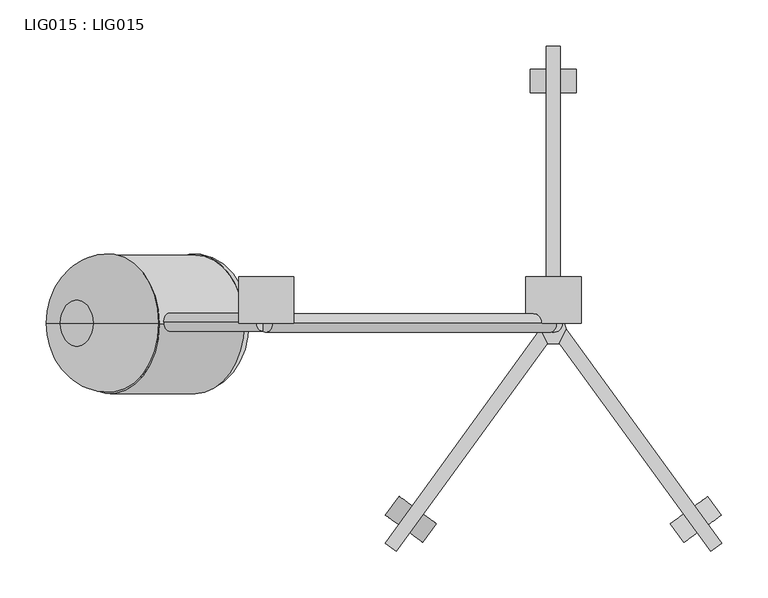
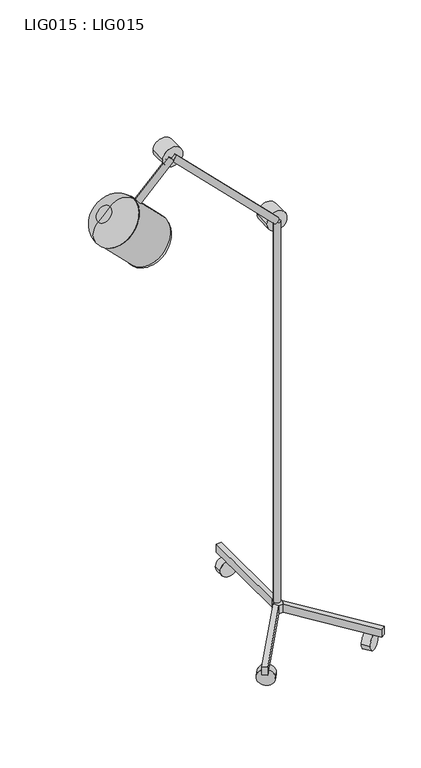
"""IFC4 building model written with IfcOpenShell, lengths in millimetres: proxy geometry, LIG015 : LIG015."""

import ifcopenshell
import ifcopenshell.guid

model = None  # the IFC model being written
_history = None  # IfcOwnerHistory: only IFC2X3 demands one
_inside = {}  # id of a spatial element -> (the spatial element, [elements in it])
_under = {}  # id of a project, library or spatial element -> (it, [spatial elements below it])
_declared = {}  # id of a project -> (the project, [libraries it declares])
_typed = {}  # id of a type object -> (the type object, [elements of that type])
_made_of = {}  # id of a material, layer set ... -> (it, [elements and type objects made of it])


def new_model(schema):
    """Start an empty IFC model of exactly this schema.

    Asked for "IFC4X3", IfcOpenShell would pick the latest addendum, in which some entities
    have other attributes; the version numbers below select the first issue.
    IFC2X3 requires an IfcOwnerHistory on every rooted entity: one is made here for all.
    """
    global model, _history
    if schema == "IFC4X3":
        model = ifcopenshell.file(schema_version=(4, 3, 0, 0))
    else:
        model = ifcopenshell.file(schema=schema)
    _inside.clear()
    _under.clear()
    _declared.clear()
    _typed.clear()
    _made_of.clear()
    _history = None
    if model.schema == "IFC2X3":
        org = make("IfcOrganization", Name="unknown")
        user = make(
            "IfcPersonAndOrganization",
            ThePerson=make("IfcPerson", FamilyName="unknown"),
            TheOrganization=org,
        )
        app = make(
            "IfcApplication",
            ApplicationDeveloper=org,
            Version="unknown",
            ApplicationFullName="unknown",
            ApplicationIdentifier="unknown",
        )
        _history = make(
            "IfcOwnerHistory",
            OwningUser=user,
            OwningApplication=app,
            ChangeAction="ADDED",
            CreationDate=0,
        )
    return model


def make(cls, **values):
    """One entity of the class cls with the attributes given. An attribute that is None is left unset."""
    return model.create_entity(
        cls, **{name: value for name, value in values.items() if value is not None}
    )


def rooted(cls, **values):
    """An entity with a GlobalId (a new one), such as an element, a storey or a relation."""
    return make(cls, GlobalId=ifcopenshell.guid.new(), OwnerHistory=_history, **values)


def si_unit(unit_type, name, prefix=None):
    """IfcSIUnit, for example si_unit("LENGTHUNIT", "METRE", prefix="MILLI")."""
    return make("IfcSIUnit", UnitType=unit_type, Prefix=prefix, Name=name)


def assignment(units):
    """IfcUnitAssignment: the units of a project."""
    return None if units is None else make("IfcUnitAssignment", Units=units)


def point(xyz):
    """IfcCartesianPoint."""
    return None if xyz is None else make("IfcCartesianPoint", Coordinates=xyz)


def direction(xyz):
    """IfcDirection."""
    return None if xyz is None else make("IfcDirection", DirectionRatios=xyz)


def frame(location, z_axis=None, x_axis=None):
    """IfcAxis2Placement3D, a coordinate frame: its origin and axes. An axis left out is left unset."""
    return make(
        "IfcAxis2Placement3D",
        Location=point(location),
        Axis=direction(z_axis),
        RefDirection=direction(x_axis),
    )


def frame_2d(location, x_axis=None):
    """IfcAxis2Placement2D, a coordinate frame in the plane: its origin and x axis."""
    return make(
        "IfcAxis2Placement2D", Location=point(location), RefDirection=direction(x_axis)
    )


def origin():
    """The frame at (0, 0, 0) with its axes left unset."""
    return frame((0.0, 0.0, 0.0))


def origin_2d():
    """The frame at (0, 0) in the plane with its x axis left unset."""
    return frame_2d((0.0, 0.0))


def place(relative_to, where):
    """IfcLocalPlacement: puts the frame where relative to a parent placement (None: the world)."""
    return make(
        "IfcLocalPlacement", PlacementRelTo=relative_to, RelativePlacement=where
    )


def context(
    kind, dimensions, precision=None, world=None, true_north=None, identifier=None
):
    """IfcGeometricRepresentationContext, for example the 3D "Model" context."""
    return make(
        "IfcGeometricRepresentationContext",
        ContextIdentifier=identifier,
        ContextType=kind,
        CoordinateSpaceDimension=dimensions,
        Precision=precision,
        WorldCoordinateSystem=world,
        TrueNorth=true_north,
    )


def project(units=None, contexts=None):
    """IfcProject with its units and contexts."""
    return rooted(
        "IfcProject",
        Name="project",
        RepresentationContexts=contexts,
        UnitsInContext=assignment(units),
    )


def spatial(cls, under=None, at=None, **own):
    """A site, building, storey or space (cls), placed at a placement, below another one or the project."""
    s = rooted(cls, ObjectPlacement=at, **own)
    if under is not None:
        _under.setdefault(under.id(), (under, []))[1].append(s)
    return s


def polyline(points):
    """IfcPolyline through the points."""
    return make("IfcPolyline", Points=[point(p) for p in points])


def circle_curve(where, radius):
    """IfcCircle in the frame where."""
    return make("IfcCircle", Position=where, Radius=radius)


def ellipse_curve(where, semi_axis1, semi_axis2):
    """IfcEllipse in the frame where."""
    return make(
        "IfcEllipse", Position=where, SemiAxis1=semi_axis1, SemiAxis2=semi_axis2
    )


def trimmed(basis, trim1, trim2, sense, master):
    """IfcTrimmedCurve: the piece of a basis curve between two trims."""
    return make(
        "IfcTrimmedCurve",
        BasisCurve=basis,
        Trim1=trim1,
        Trim2=trim2,
        SenseAgreement=sense,
        MasterRepresentation=master,
    )


def segment(curve, same_sense, transition):
    """IfcCompositeCurveSegment."""
    return make(
        "IfcCompositeCurveSegment",
        Transition=transition,
        SameSense=same_sense,
        ParentCurve=curve,
    )


def composite_curve(segments, self_intersect=None):
    """IfcCompositeCurve: segments joined end to end."""
    return make("IfcCompositeCurve", Segments=segments, SelfIntersect=self_intersect)


def outline(outer, holes=None, kind="AREA"):
    """IfcArbitraryClosedProfileDef: a profile drawn as a closed curve; with holes, ...WithVoids."""
    if holes is None:
        return make("IfcArbitraryClosedProfileDef", ProfileType=kind, OuterCurve=outer)
    return make(
        "IfcArbitraryProfileDefWithVoids",
        ProfileType=kind,
        OuterCurve=outer,
        InnerCurves=holes,
    )


def extrude(swept, where, along, depth):
    """IfcExtrudedAreaSolid: the profile swept, set in the frame where, extruded along a direction by depth."""
    return make(
        "IfcExtrudedAreaSolid",
        SweptArea=swept,
        Position=where,
        ExtrudedDirection=direction(along),
        Depth=depth,
    )


def shape(context_of_items, identifier, shape_type, items):
    """IfcShapeRepresentation: the items that make up one representation, for example the "Body"."""
    return make(
        "IfcShapeRepresentation",
        ContextOfItems=context_of_items,
        RepresentationIdentifier=identifier,
        RepresentationType=shape_type,
        Items=items,
    )


def source(mapping_origin, context_of_items, identifier, shape_type, items):
    """IfcRepresentationMap: a shape defined once, which mapped items show again and again."""
    return make(
        "IfcRepresentationMap",
        MappingOrigin=mapping_origin,
        MappedRepresentation=shape(context_of_items, identifier, shape_type, items),
    )


def transform(
    local_origin,
    x_axis=None,
    y_axis=None,
    z_axis=None,
    scale=None,
    scale2=None,
    scale3=None,
    uniform=True,
):
    """IfcCartesianTransformationOperator3D, or its non-uniform kind. x_axis, y_axis, z_axis: its Axis1, 2, 3."""
    if uniform:
        return make(
            "IfcCartesianTransformationOperator3D",
            Axis1=direction(x_axis),
            Axis2=direction(y_axis),
            LocalOrigin=point(local_origin),
            Scale=scale,
            Axis3=direction(z_axis),
        )
    return make(
        "IfcCartesianTransformationOperator3DnonUniform",
        Axis1=direction(x_axis),
        Axis2=direction(y_axis),
        LocalOrigin=point(local_origin),
        Scale=scale,
        Axis3=direction(z_axis),
        Scale2=scale2,
        Scale3=scale3,
    )


def mapped(mapping_source, mapping_target):
    """IfcMappedItem: shows the shape of a source again, moved by a transform."""
    return make(
        "IfcMappedItem", MappingSource=mapping_source, MappingTarget=mapping_target
    )


def made_of(thing, what):
    """Note that an element or type object is made of a material, layer set ...; save() writes the relation."""
    if what is not None:
        _made_of.setdefault(what.id(), (what, []))[1].append(thing)
    return thing


def element(
    cls,
    number,
    at=None,
    inside=None,
    cuts=None,
    type_object=None,
    material=None,
    context=None,
    identifier="Body",
    shape_type=None,
    held_by="IfcProductDefinitionShape",
    body=None,
    shapes=None,
    **own,
):
    """One element of the class cls, such as IfcWall. Its Tag is "e" and its number.

    at: its placement. inside: the storey or other place that contains it. cuts: it is an
    opening in that element (IfcRelVoidsElement). A single representation is given by context,
    identifier, shape_type and body (its items); several are given by shapes. held_by: the class
    of the entity that holds the representations. save() writes the other relations.
    """
    e = rooted(cls, Tag="e%d" % number, ObjectPlacement=at, **own)
    if body is not None:
        shapes = [shape(context, identifier, shape_type, body)]
    if shapes is not None:
        e.Representation = make(held_by, Representations=shapes)
    if inside is not None:
        _inside.setdefault(inside.id(), (inside, []))[1].append(e)
    if cuts is not None:
        rooted(
            "IfcRelVoidsElement", RelatingBuildingElement=cuts, RelatedOpeningElement=e
        )
    if type_object is not None:
        _typed.setdefault(type_object.id(), (type_object, []))[1].append(e)
    return made_of(e, material)


def aggregate(whole, parts):
    """IfcRelAggregates: a whole, such as a stair, and the parts it consists of."""
    return rooted("IfcRelAggregates", RelatingObject=whole, RelatedObjects=parts)


def save(model, path):
    """Write the relations noted so far, then the file.

    IfcRelAggregates (storeys below a building ...), IfcRelContainedInSpatialStructure (elements
    in a storey), IfcRelDefinesByType, IfcRelAssociatesMaterial and IfcRelDeclares: one each for
    every whole, place, type object, material and project.
    """
    for whole, parts in _under.values():
        aggregate(whole, parts)
    for where, things in _inside.values():
        rooted(
            "IfcRelContainedInSpatialStructure",
            RelatedElements=things,
            RelatingStructure=where,
        )
    for kind, things in _typed.values():
        rooted("IfcRelDefinesByType", RelatedObjects=things, RelatingType=kind)
    for what, things in _made_of.values():
        rooted("IfcRelAssociatesMaterial", RelatedObjects=things, RelatingMaterial=what)
    for by, libraries in _declared.values():
        rooted("IfcRelDeclares", RelatingContext=by, RelatedDefinitions=libraries)
    model.write(path)


def plane_surface(at):
    """IfcPlane: the flat surface through the origin of the frame at, square to its z axis."""
    return make("IfcPlane", Position=at)


def revolved_surface(curve, axis_point, axis_direction):
    """IfcSurfaceOfRevolution: the curve turned about the line through axis_point along axis_direction."""
    return make(
        "IfcSurfaceOfRevolution",
        SweptCurve=make("IfcArbitraryOpenProfileDef", ProfileType="CURVE", Curve=curve),
        AxisPosition=make("IfcAxis1Placement", Location=point(axis_point), Axis=direction(axis_direction)),
    )


def advanced_brep(points, edges, surfaces, faces):
    """IfcAdvancedBrep: a solid bounded by faces that lie on surfaces and meet in shared edges.

    An edge is (start, end): straight between two places in points (the first is 0);
    or (start, end, curve); or (start, end, curve, False) where it runs against its curve.
    A face is (place in surfaces, loops), or (place, loops, False) where it looks against
    its surface's normal. A loop lists edges by number (the first is 1), with a minus sign
    where the edge is run from its end to its start. The first loop is the outer one.
    """
    corners = [point(p) for p in points]
    vertices = [make("IfcVertexPoint", VertexGeometry=c) for c in corners]
    made = []
    for start, end, *more in edges:
        made.append(
            make(
                "IfcEdgeCurve",
                EdgeStart=vertices[start],
                EdgeEnd=vertices[end],
                EdgeGeometry=more[0] if more else make("IfcPolyline", Points=[corners[start], corners[end]]),
                SameSense=more[1] if len(more) > 1 else True,
            )
        )
    hull = []
    for where, loops, *sense in faces:
        bounds = []
        for j, loop in enumerate(loops):
            ring = [make("IfcOrientedEdge", EdgeElement=made[abs(k) - 1], Orientation=k > 0) for k in loop]
            bounds.append(
                make(
                    "IfcFaceOuterBound" if j == 0 else "IfcFaceBound",
                    Bound=make("IfcEdgeLoop", EdgeList=ring),
                    Orientation=True,
                )
            )
        hull.append(make("IfcAdvancedFace", Bounds=bounds, FaceSurface=surfaces[where], SameSense=sense[0] if sense else True))
    return make("IfcAdvancedBrep", Outer=make("IfcClosedShell", CfsFaces=hull))


def lig015_lig015_b1ec5efa(model_context):
    return source(origin(), model_context, "Body", "SolidModel", [
        extrude(outline(composite_curve([segment(trimmed(circle_curve(frame_2d((0.0, -25.0000002)), 25.0000002), [point((0.0, -50.0000003))], [point((0.0, 0.0))], False, "CARTESIAN"), True, "CONTINUOUS"), segment(trimmed(circle_curve(frame_2d((0.0, -25.0000002)), 25.0000002), [point((0.0, 0.0))], [point((0.0, -50.0000003))], False, "CARTESIAN"), True, "CONTINUOUS")], self_intersect=False)), frame((-141.624463, -237.1747197, 25.0000002), z_axis=(0.5910052218397722, 0.8066677307033681, 0.0), x_axis=(0.0, 0.0, 1.0)), (0.0, 0.0, 1.0), 25.0000002),
        extrude(outline(composite_curve([segment(trimmed(circle_curve(frame_2d((0.0, -25.0000002)), 25.0000002), [point((0.0, -50.0000004))], [point((0.0, 0.0))], False, "CARTESIAN"), True, "CONTINUOUS"), segment(trimmed(circle_curve(frame_2d((0.0, -25.0000002)), 25.0000002), [point((0.0, 0.0))], [point((0.0, -50.0000004))], False, "CARTESIAN"), True, "CONTINUOUS")], self_intersect=False)), frame((181.8947758, -207.8200997, 25.0000002), z_axis=(-0.5879386560401509, 0.8089055178039652, 0.0), x_axis=(0.0, 0.0, 1.0)), (0.0, 0.0, 1.0), 25.0000002),
        extrude(outline(composite_curve([segment(trimmed(circle_curve(frame_2d((25.0000002, 0.0)), 25.0000002), [point((25.0000002, -25.0000002))], [point((25.0000002, 25.0000002))], False, "CARTESIAN"), True, "CONTINUOUS"), segment(trimmed(circle_curve(frame_2d((25.0000002, 0.0)), 25.0000002), [point((25.0000002, 25.0000002))], [point((25.0000002, -25.0000002))], False, "CARTESIAN"), True, "CONTINUOUS")], self_intersect=False)), frame((0.0, 250.0000019, 0.0), z_axis=(0.0, 1.0, 0.0), x_axis=(0.0, 0.0, 1.0)), (0.0, 0.0, 1.0), 25.0000002),
        extrude(outline(polyline([(7.4999998, 12.4399997), (-7.5000002, 12.4399997), (-7.5000002, 299.9631612), (7.4999998, 299.9631612), (7.4999998, 12.4399997)])), frame((0.0, 0.0, 50.0000004), z_axis=(0.0, 0.0, 1.0), x_axis=(1.0, 0.0, 0.0)), (0.0, 0.0, 1.0), 25.0000002),
        extrude(outline(polyline([(-6.677403, -21.8607922), (-170.2758397, -247.0347227), (-182.4110947, -238.2179439), (-14.1246935, -6.5915839), (-6.677403, -21.8607922)])), frame((0.0, 0.0, 50.0000004), z_axis=(0.0, 0.0, 1.0), x_axis=(1.0, 0.0, 0.0)), (0.0, 0.0, 1.0), 25.0000002),
        extrude(outline(polyline([(182.4530982, -238.3105309), (170.3178433, -247.1273097), (6.5640724, -21.7395801), (14.0113629, -6.4703718), (182.4530982, -238.3105309)])), frame((0.0, 0.0, 50.0000004), z_axis=(0.0, 0.0, 1.0), x_axis=(1.0, 0.0, 0.0)), (0.0, 0.0, 1.0), 25.0000002),
        extrude(outline(polyline([(7.4999998, 12.4399997), (14.0113629, -6.4703718), (6.5049533, -21.8607922), (-6.677403, -21.8607922), (-14.0818818, -6.679361), (-7.4999998, 12.4399997), (7.4999998, 12.4399997)])), frame((0.0, 0.0, 50.0000004), z_axis=(0.0, 0.0, 1.0), x_axis=(1.0, 0.0, 0.0)), (0.0, 0.0, 1.0), 24.9999998),
        extrude(outline(composite_curve([segment(trimmed(circle_curve(frame_2d((0.0, -10.0)), 10.0), [point((0.0, -20.0))], [point((0.0, 0.0))], False, "CARTESIAN"), True, "CONTINUOUS"), segment(trimmed(circle_curve(frame_2d((0.0, -10.0)), 10.0), [point((0.0, 0.0))], [point((0.0, -20.0))], False, "CARTESIAN"), True, "CONTINUOUS")], self_intersect=False)), frame((-422.6180672, 0.9593194, 1488.7680754), z_axis=(0.707106781186547, 0.0, 0.7071067811865481), x_axis=(0.0, 1.0, 0.0)), (0.0, 0.0, 1.0), 142.6718836),
        extrude(outline(composite_curve([segment(trimmed(circle_curve(frame_2d((0.0, -10.0)), 10.0), [point((0.0, -20.0))], [point((0.0, 0.0))], False, "CARTESIAN"), True, "CONTINUOUS"), segment(trimmed(circle_curve(frame_2d((0.0, -10.0)), 10.0), [point((0.0, 0.0))], [point((0.0, -20.0))], False, "CARTESIAN"), True, "CONTINUOUS")], self_intersect=False)), frame((3.4608348, -0.008289, 1285.6036869), z_axis=(-0.7077872708987558, 0.0, 0.7064256359686357), x_axis=(0.0, -1.0, 0.0)), (0.0, 0.0, 1.0), 434.9555948),
        extrude(outline(composite_curve([segment(trimmed(circle_curve(origin_2d(), 10.0), [point((-10.0, 0.0))], [point((10.0, 0.0))], False, "CARTESIAN"), True, "CONTINUOUS"), segment(trimmed(circle_curve(origin_2d(), 10.0), [point((10.0, 0.0))], [point((-10.0, 0.0))], False, "CARTESIAN"), True, "CONTINUOUS")], self_intersect=False)), frame((0.0, 0.0, 75.0000002), z_axis=(0.0, 0.0, 1.0), x_axis=(1.0, 0.0, 0.0)), (0.0, 0.0, 1.0), 1200.0),
        extrude(outline(composite_curve([segment(trimmed(circle_curve(frame_2d((1586.1300002, -311.119051)), 29.989051), [point((1586.1300002, -341.1081019))], [point((1586.1300002, -281.13))], False, "CARTESIAN"), True, "CONTINUOUS"), segment(trimmed(circle_curve(frame_2d((1586.1300002, -311.119051)), 29.989051), [point((1586.1300002, -281.13))], [point((1586.1300002, -341.1081019))], False, "CARTESIAN"), True, "CONTINUOUS")], self_intersect=False)), frame((0.0, 0.0, 0.0), z_axis=(0.0, 1.0, 0.0), x_axis=(0.0, 0.0, 1.0)), (0.0, 0.0, 1.0), 50.0),
        extrude(outline(composite_curve([segment(trimmed(circle_curve(frame_2d((1275.0000002, 0.0)), 30.0), [point((1275.0000002, -30.0))], [point((1275.0000002, 30.0))], False, "CARTESIAN"), True, "CONTINUOUS"), segment(trimmed(circle_curve(frame_2d((1275.0000002, 0.0)), 30.0), [point((1275.0000002, 30.0))], [point((1275.0000002, -30.0))], False, "CARTESIAN"), True, "CONTINUOUS")], self_intersect=False)), frame((0.0, 0.0, 0.0), z_axis=(0.0, 1.0, 0.0), x_axis=(0.0, 0.0, 1.0)), (0.0, 0.0, 1.0), 50.0),
        advanced_brep(
        [(-335.6892352, 0.0, 1401.7662038), (-441.7552524, 0.0, 1295.7001866), (-388.7222438, 0.0, 1348.7331952), (-335.6892352, 0.0, 1373.4862076), (-413.4752562, 0.0, 1295.7001866), (-374.5822457, 0.0, 1334.5931971)],
        [
            (0, 1, circle_curve(frame((-388.7222438, 0.0, 1348.7331952), z_axis=(-0.7071067811865441, 0.0, 0.7071067811865509), x_axis=(-0.7071067811865509, 0.0, -0.7071067811865441)), 75.0)),
            (1, 2),
            (2, 0),
            (1, 0, circle_curve(frame((-388.7222438, 0.0, 1348.7331952), z_axis=(-0.7071067811865441, 0.0, 0.7071067811865509), x_axis=(-0.7071067811865509, 0.0, -0.7071067811865441)), 75.0)),
            (3, 4, circle_curve(frame((-374.5822457, 0.0, 1334.5931971), z_axis=(-0.7071067811865441, 0.0, 0.7071067811865509), x_axis=(-0.7071067811865509, 0.0, -0.7071067811865441)), 55.0030229)),
            (4, 1, circle_curve(frame((-427.6152543, 0.0, 1309.8401847), z_axis=(0.0, 1.0, 0.0), x_axis=(1.0, 0.0, 0.0)), 19.9969771)),
            (0, 3, circle_curve(frame((-349.8292333, 0.0, 1387.6262057), z_axis=(0.0, 1.0, 0.0), x_axis=(0.0, 0.0, -1.0)), 19.9969771)),
            (4, 3, circle_curve(frame((-374.5822457, 0.0, 1334.5931971), z_axis=(-0.7071067811865441, 0.0, 0.7071067811865509), x_axis=(-0.7071067811865509, 0.0, -0.7071067811865441)), 55.0030229)),
            (5, 4),
            (3, 5),
        ],
        [
            plane_surface(frame((-388.7222438, 0.0, 1348.7331952), z_axis=(-0.7071067811865441, 0.0, 0.7071067811865509), x_axis=(-0.7071067811865509, 0.0, -0.7071067811865441))),
            revolved_surface(trimmed(ellipse_curve(frame((-427.6152543, 0.0, 1309.8401847), z_axis=(0.0, -1.0, 0.0), x_axis=(1.0, 0.0, 0.0)), 19.9969771, 19.9969771), [point((-441.7552524, 0.0, 1295.7001866))], [point((-413.4752562, 0.0, 1295.7001866))], True, "CARTESIAN"), (-388.7222438, 0.0, 1348.7331952), (0.7071067811865441, 0.0, -0.7071067811865509)),
            plane_surface(frame((-374.5822457, 0.0, 1334.5931971), z_axis=(0.7071067811865441, 0.0, -0.7071067811865509), x_axis=(-0.7071067811865509, 0.0, -0.7071067811865441))),
        ],
        [
            (0, [[1, 2, 3]]),
            (0, [[4, -3, -2]]),
            (1, [[5, 6, -1, 7]]),
            (1, [[8, -7, -4, -6]]),
            (2, [[9, -5, 10]]),
            (2, [[-10, -8, -9]]),
        ],
    ),
        advanced_brep(
        [(-498.6657828, 0.0, 1493.8126324), (-534.0211219, 0.0, 1458.4572934), (-516.3434523, 0.0, 1476.1349629), (-427.9551047, 0.0, 1493.8126324), (-534.0211219, 0.0, 1387.7466152), (-480.9881133, 0.0, 1440.7796238)],
        [
            (0, 1, circle_curve(frame((-516.3434523, 0.0, 1476.1349629), z_axis=(-0.7071067811865462, 0.0, 0.7071067811865489), x_axis=(-0.7071067811865489, 0.0, -0.7071067811865462)), 25.0)),
            (1, 2),
            (2, 0),
            (1, 0, circle_curve(frame((-516.3434523, 0.0, 1476.1349629), z_axis=(-0.7071067811865462, 0.0, 0.7071067811865489), x_axis=(-0.7071067811865489, 0.0, -0.7071067811865462)), 25.0)),
            (3, 4, circle_curve(frame((-480.9881133, 0.0, 1440.7796238), z_axis=(-0.7071067811865462, 0.0, 0.7071067811865489), x_axis=(-0.7071067811865489, 0.0, -0.7071067811865462)), 75.0)),
            (4, 1, circle_curve(frame((-501.254436, 0.0, 1423.1019543), z_axis=(0.0, 1.0000000000000002, 0.0), x_axis=(1.0000000000000002, 0.0, 0.0)), 48.2043121)),
            (0, 3, circle_curve(frame((-463.3104438, 0.0, 1461.0459466), z_axis=(0.0, 1.0000000000000002, 0.0), x_axis=(0.0, 0.0, -1.0000000000000002)), 48.2043121)),
            (4, 3, circle_curve(frame((-480.9881133, 0.0, 1440.7796238), z_axis=(-0.7071067811865462, 0.0, 0.7071067811865489), x_axis=(-0.7071067811865489, 0.0, -0.7071067811865462)), 75.0)),
            (5, 4),
            (3, 5),
        ],
        [
            plane_surface(frame((-516.3434523, 0.0, 1476.1349629), z_axis=(-0.7071067811865462, 0.0, 0.7071067811865489), x_axis=(-0.7071067811865489, 0.0, -0.7071067811865462))),
            revolved_surface(trimmed(ellipse_curve(frame((-501.254436, 0.0, 1423.1019543), z_axis=(0.0, -1.0000000000000002, 0.0), x_axis=(1.0000000000000002, 0.0, 0.0)), 48.2043121, 48.2043121), [point((-534.0211219, 0.0, 1458.4572934))], [point((-534.0211219, 0.0, 1387.7466152))], True, "CARTESIAN"), (-516.3434523, 0.0, 1476.1349629), (0.7071067811865462, 0.0, -0.7071067811865489)),
            plane_surface(frame((-480.9881133, 0.0, 1440.7796238), z_axis=(0.7071067811865462, 0.0, -0.7071067811865489), x_axis=(-0.7071067811865489, 0.0, -0.7071067811865462))),
        ],
        [
            (0, [[1, 2, 3]]),
            (0, [[4, -3, -2]]),
            (1, [[5, 6, -1, 7]]),
            (1, [[8, -7, -4, -6]]),
            (2, [[9, -5, 10]]),
            (2, [[-10, -8, -9]]),
        ],
    ),
        extrude(outline(composite_curve([segment(trimmed(circle_curve(frame_2d((0.0, -75.0)), 75.0), [point((0.0, -150.0))], [point((0.0, 0.0))], False, "CARTESIAN"), True, "CONTINUOUS"), segment(trimmed(circle_curve(frame_2d((0.0, -75.0)), 75.0), [point((0.0, 0.0))], [point((0.0, -150.0))], False, "CARTESIAN"), True, "CONTINUOUS")], self_intersect=False)), frame((-334.951298, -1.3226378, 1402.9486545), z_axis=(-0.7071067811865491, 0.0, 0.707106781186546), x_axis=(0.0, -1.0, 0.0)), (0.0, 0.0, 1.0), 130.0016375),
    ])


if __name__ == "__main__":
    model = new_model("IFC4")
    model_context = context("Model", 3, world=origin())
    ifc_project = project(units=[si_unit("LENGTHUNIT", "METRE", prefix="MILLI")], contexts=[model_context])
    site = spatial("IfcSite", under=ifc_project)
    building = spatial("IfcBuilding", under=site)
    placement = place(None, origin())
    lig015_lig015_shape = lig015_lig015_b1ec5efa(model_context)
    element("IfcBuildingElementProxy", 1, Name="LIG015 : LIG015", ObjectType="LIG015 : LIG015", at=placement, inside=building, context=model_context, shape_type="MappedRepresentation", body=[
        mapped(lig015_lig015_shape, transform((0.0, 0.0, 0.0), x_axis=(1.0, 0.0, 0.0), y_axis=(0.0, 1.0, 0.0), z_axis=(0.0, 0.0, 1.0))),
    ])
    save(model, "model.ifc")
